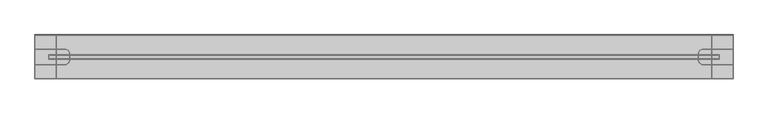
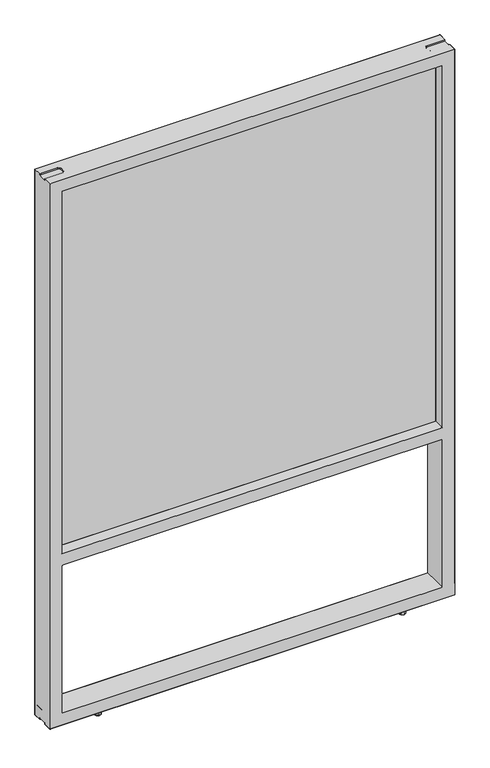
"""IFC4 building model written with IfcOpenShell, lengths in millimetres: furniture geometry."""

from ifc_helpers import new_model, si_unit, origin, place, context, project, spatial, triangles, source, transform, mapped, element, save


def furniture_d2c9bd60(model_context):
    return source(origin(), model_context, "Body", "Tessellation", [
        triangles([(32.6390461, -41.2115288, 1716.5700771), (32.6390461, -41.2114789, 545.4015203), (1195.8320223, -41.2114789, 545.4015203), (1195.8320223, -41.2115288, 1716.5700771), (1195.8320223, -34.9884757, 545.4015203), (32.6390461, -34.9884757, 545.4015203), (32.6390461, -34.9885279, 1716.5700771), (1195.8320223, -34.9885279, 1716.5700771)], [[1, 2, 3], [1, 3, 4], [5, 6, 7], [5, 7, 8]], closed=False),
        triangles([(1222.2485058, -76.1999319, 1705.9152042), (1222.2480698, 0.0, 1705.9147682), (1222.2480698, -24.8920012, 1738.4521717), (1222.2480698, -51.308001, 1738.4521717), (43.3070132, -3.8e-06, 556.0817914), (43.3070132, -34.4678066, 556.0817914), (1185.1645775, -34.4678294, 556.0818277), (1185.1639961, -3.8e-06, 556.0817914), (43.3070132, -34.4678044, 543.3818398), (1185.1639961, -34.4678044, 543.3818398), (43.3070132, -41.7322047, 543.3818398), (1185.1639961, -41.7322047, 543.3818398), (43.3070132, -41.7322047, 556.0817914), (1185.1639961, -41.7322047, 556.0817914), (43.3070132, -76.2000091, 556.0817914), (1185.1639961, -76.2000091, 556.0817914), (43.3070132, -76.2000091, 518.9978268), (1185.1639961, -76.2000091, 518.9978268), (43.3070132, 0.0, 518.9978268), (1185.1639961, 0.0, 518.9978268), (43.306559, -41.7321593, 523.8246034), (43.306559, -34.4677612, 523.8246034), (30.6065757, -34.4677612, 523.8246034), (30.6065757, -41.7321593, 523.8246034), (30.6066665, -34.4676568, 1705.9152042), (43.3075946, -34.4677294, 1705.9152042), (30.6066665, -41.7320594, 1705.9152042), (43.3066771, -41.7320594, 1705.9152042), (43.3065272, 0.0, 49.784443), (43.3066771, 0.000145, 1705.9152042), (43.3065272, -76.2000091, 49.784443), (43.3066771, -76.1998592, 1705.9152042), (1197.864529, -34.4678339, 523.8246034), (1185.1645775, -34.4678339, 523.8246034), (1197.864529, -41.732232, 523.8246034), (1185.1645775, -41.732232, 523.8246034), (30.6065144, -34.4678021, 1718.6151558), (1197.8644564, -34.4677294, 1718.6151558), (1197.8644564, -41.732132, 1718.6151558), (30.6065144, -41.7322002, 1718.6151558), (1197.8644564, -34.4677294, 1705.9152042), (1197.8644564, -41.732132, 1705.9152042), (1185.1635601, -34.4678021, 1705.9152042), (1185.1644321, -41.732132, 1705.9152042), (1185.1645775, -7.25e-05, 49.784443), (1185.1644321, 7.25e-05, 1705.9152042), (1185.1645775, -76.2000727, 49.784443), (6.2229997, -24.8920012, 12.6998494), (6.2229997, 0.0, 12.6998494), (1222.2480698, 0.0, 12.6998494), (1222.2480698, -24.8920012, 12.6998494), (1168.2730213, -24.8920012, 12.6998494), (1163.7828884, -26.7518736, 12.6998494), (64.6881482, -26.7518736, 12.6998494), (60.198038, -24.8920012, 12.6998494), (1161.9230455, -31.242002, 12.6998494), (66.5480137, -31.242002, 12.6998494), (1163.7828884, -49.4481309, 12.6998494), (64.6881482, -49.4481309, 12.6998494), (66.5480137, -44.9580025, 12.6998494), (1161.9230455, -44.9580025, 12.6998494), (1168.2730213, -51.308001, 12.6998494), (60.198038, -51.308001, 12.6998494), (6.2229997, -24.8920012, 1742.9988419), (1222.2480698, -24.8920012, 1742.9988419), (1222.2480698, 0.0, 1742.9988419), (6.2229997, 0.0, 1742.9988419), (64.6881482, -26.7518736, 1742.9988419), (1163.7828884, -26.7518736, 1742.9988419), (1168.2730213, -24.8920012, 1742.9988419), (60.198038, -24.8920012, 1742.9988419), (66.5480137, -31.242002, 1742.9988419), (1161.9230455, -31.242002, 1742.9988419), (66.5480137, -44.9580025, 1742.9988419), (1161.9230455, -44.9580025, 1742.9988419), (64.6881482, -49.4481309, 1742.9988419), (1163.7828884, -49.4481309, 1742.9988419), (60.198038, -51.308001, 1742.9988419), (1168.2730213, -51.308001, 1742.9988419), (6.2229997, -76.2000091, 1742.9988419), (1222.2480698, -76.2000091, 1742.9988419), (1222.2480698, -51.308001, 1742.9988419), (6.2229997, -51.308001, 1742.9988419), (64.6881482, -26.7518736, 1738.4521717), (64.6881482, -49.4481309, 1738.4521717), (66.5480137, -44.9580025, 1738.4521717), (66.5480137, -31.242002, 1738.4521717), (60.198038, -24.8920012, 1738.4521717), (60.198038, -51.308001, 1738.4521717), (6.2229997, -24.8920012, 1738.4521717), (6.2229997, -51.308001, 1738.4521717), (1163.7828884, -26.7518736, 1738.4521717), (1163.7828884, -49.4481309, 1738.4521717), (1161.9230455, -44.9580025, 1738.4521717), (1161.9230455, -31.242002, 1738.4521717), (1168.2730213, -24.8920012, 1738.4521717), (1168.2730213, -51.308001, 1738.4521717), (6.2225115, 0.0, 1705.9152042), (6.2225115, -76.2000091, 1705.9152042), (6.2226642, -76.2001453, 49.784443), (6.2226642, -0.000145, 49.784443), (1222.2480698, -76.2000091, 49.7838344), (1222.2486511, -7.25e-05, 49.784443), (1185.1644321, -76.1999319, 1705.9152042), (1222.2480698, -51.308001, 12.6998494), (1222.2480698, -51.308001, 17.2464809), (1168.2730213, -51.308001, 17.2464809), (1163.7828884, -49.4481309, 17.2464809), (1161.9230455, -44.9580025, 17.2464809), (1163.7828884, -26.7518736, 17.2464809), (1161.9230455, -31.242002, 17.2464809), (1168.2730213, -24.8920012, 17.2464809), (1222.2480698, -24.8920012, 17.2464809), (60.198038, -24.8920012, 17.2464809), (6.2229997, -24.8920012, 17.2464809), (64.6881482, -26.7518736, 17.2464809), (66.5480137, -31.242002, 17.2464809), (64.6881482, -49.4481309, 17.2464809), (66.5480137, -44.9580025, 17.2464809), (60.198038, -51.308001, 17.2464809), (6.2229997, -51.308001, 12.6998494), (6.2229997, -51.308001, 17.2464809), (1222.2480698, -76.2000091, 12.6998494), (6.2229997, -76.2000091, 12.6998494)], [[1, 2, 3], [1, 3, 4], [5, 6, 7], [5, 7, 8], [9, 10, 7], [9, 7, 6], [9, 11, 12], [9, 12, 10], [13, 14, 12], [13, 12, 11], [13, 15, 16], [13, 16, 14], [17, 18, 16], [17, 16, 15], [17, 19, 20], [17, 20, 18], [5, 8, 20], [5, 20, 19], [21, 22, 23], [21, 23, 24], [25, 23, 26], [23, 22, 26], [25, 27, 24], [25, 24, 23], [28, 21, 24], [28, 24, 27], [26, 22, 29], [26, 29, 30], [21, 31, 29], [21, 29, 22], [32, 31, 21], [32, 21, 28], [33, 34, 35], [34, 36, 35], [37, 38, 39], [37, 39, 40], [37, 25, 41], [37, 41, 38], [40, 27, 25], [40, 25, 37], [40, 39, 42], [40, 42, 27], [38, 41, 39], [41, 42, 39], [34, 33, 41], [34, 41, 43], [35, 42, 41], [35, 41, 33], [35, 36, 44], [35, 44, 42], [45, 34, 43], [45, 43, 46], [45, 47, 36], [45, 36, 34], [48, 49, 50], [48, 50, 51], [52, 53, 54], [52, 54, 55], [56, 57, 54], [56, 54, 53], [58, 59, 60], [58, 60, 61], [58, 62, 63], [58, 63, 59], [64, 65, 66], [64, 66, 67], [68, 69, 70], [68, 70, 71], [68, 72, 73], [68, 73, 69], [74, 75, 73], [74, 73, 72], [74, 76, 77], [74, 77, 75], [78, 79, 77], [78, 77, 76], [80, 81, 82], [80, 82, 83], [84, 85, 86], [84, 86, 87], [84, 88, 85], [88, 89, 85], [90, 91, 89], [90, 89, 88], [83, 78, 89], [83, 89, 91], [76, 85, 89], [76, 89, 78], [76, 74, 86], [76, 86, 85], [72, 87, 74], [87, 86, 74], [72, 68, 84], [72, 84, 87], [71, 88, 68], [88, 84, 68], [71, 64, 90], [71, 90, 88], [92, 93, 94], [92, 94, 95], [92, 96, 97], [92, 97, 93], [97, 4, 3], [97, 3, 96], [1, 4, 82], [1, 82, 81], [97, 79, 82], [97, 82, 4], [97, 93, 77], [97, 77, 79], [94, 75, 77], [94, 77, 93], [94, 95, 73], [94, 73, 75], [73, 69, 95], [69, 92, 95], [92, 96, 70], [92, 70, 69], [3, 65, 70], [3, 70, 96], [3, 2, 66], [3, 66, 65], [98, 67, 66], [98, 66, 2], [98, 90, 64], [98, 64, 67], [98, 99, 91], [98, 91, 90], [91, 99, 80], [91, 80, 83], [80, 99, 1], [80, 1, 81], [99, 100, 31], [99, 31, 32], [99, 98, 101], [99, 101, 100], [30, 29, 101], [30, 101, 98], [2, 1, 102], [2, 102, 103], [36, 47, 104], [36, 104, 44], [46, 2, 103], [46, 103, 45], [47, 102, 1], [47, 1, 104], [105, 62, 106], [62, 107, 106], [58, 108, 107], [58, 107, 62], [58, 61, 108], [61, 109, 108], [56, 53, 110], [56, 110, 111], [52, 112, 53], [112, 110, 53], [52, 51, 113], [52, 113, 112], [48, 55, 114], [48, 114, 115], [54, 116, 55], [116, 114, 55], [54, 57, 117], [54, 117, 116], [60, 59, 118], [60, 118, 119], [63, 120, 118], [63, 118, 59], [63, 121, 122], [63, 122, 120], [115, 114, 120], [115, 120, 122], [116, 118, 114], [118, 120, 114], [116, 117, 119], [116, 119, 118], [57, 60, 119], [57, 119, 117], [57, 56, 61], [57, 61, 60], [111, 109, 56], [109, 61, 56], [111, 110, 108], [111, 108, 109], [112, 107, 108], [112, 108, 110], [112, 113, 106], [112, 106, 107], [123, 124, 121], [123, 121, 105], [102, 100, 124], [102, 124, 123], [124, 100, 122], [124, 122, 121], [101, 115, 122], [101, 122, 100], [101, 49, 48], [101, 48, 115], [101, 103, 50], [101, 50, 49], [113, 51, 50], [113, 50, 103], [102, 123, 105], [102, 105, 106], [113, 103, 102], [113, 102, 106], [101, 100, 102], [101, 102, 103]], closed=False),
        triangles([(1077.3854004, -57.5500937, -0.0001014), (1079.8499302, -63.4999803, -0.0001014), (1065.485618, -57.5500937, -0.0001014), (1071.4354729, -55.0855684, -0.0001014), (1077.3854004, -69.4498715, -0.0001014), (1063.0210882, -63.4999803, -0.0001014), (1071.4354729, -71.9143922, -0.0001014), (1065.485618, -69.4498715, -0.0001014), (1078.4405685, -70.545971, 1.3910119), (1081.3449697, -63.5341307, 1.3910119), (1082.3574806, -63.4999985, 12.6998494), (1079.158548, -71.2230191, 12.6998494), (1071.4287146, -73.4503722, 1.3910119), (1071.4355455, -74.4219972, 12.6998494), (1064.4168606, -70.545971, 1.3910119), (1063.7124704, -71.2230191, 12.6998494), (1061.5124594, -63.5341307, 1.3910119), (1060.5135378, -63.4999985, 12.6998494), (1064.4168606, -56.5222903, 1.3910119), (1063.7124704, -55.7769824, 12.6998494), (1071.4287146, -53.6178936, 1.3910119), (1071.4355455, -52.5779998, 12.6998494), (1078.4405685, -56.5222903, 1.3910119), (1079.158548, -55.7769824, 12.6998494), (1077.3854004, -6.7500973, -0.0001014), (1079.8499302, -12.6999856, -0.0001014), (1065.485618, -6.7500973, -0.0001014), (1071.4354729, -4.2855731, -0.0001014), (1077.3854004, -18.6498723, -0.0001014), (1063.0210882, -12.6999856, -0.0001014), (1071.4354729, -21.1143975, -0.0001014), (1065.485618, -18.6498723, -0.0001014), (1078.4405685, -19.7459763, 1.3910119), (1081.3449697, -12.734136, 1.3910119), (1082.3574806, -12.7000038, 12.6998494), (1079.158548, -20.4230221, 12.6998494), (1071.4287146, -22.6503753, 1.3910119), (1071.4355455, -23.6220025, 12.6998494), (1064.4168606, -19.7459763, 1.3910119), (1063.7124704, -20.4230221, 12.6998494), (1061.5124594, -12.734136, 1.3910119), (1060.5135378, -12.7000038, 12.6998494), (1064.4168606, -5.7222956, 1.3910119), (1063.7124704, -4.9769838, 12.6998494), (1071.4287146, -2.8178958, 1.3910119), (1071.4355455, -1.7780045, 12.6998494), (1078.4405685, -5.7222956, 1.3910119), (1079.158548, -4.9769838, 12.6998494), (162.9854004, -57.5500982, -0.0001014), (165.4499302, -63.4999894, -0.0001014), (151.0856271, -57.5500982, -0.0001014), (157.0355092, -55.0855775, -0.0001014), (162.9854004, -69.449876, -0.0001014), (148.6211064, -63.4999894, -0.0001014), (157.0355092, -71.9144013, -0.0001014), (151.0856271, -69.449876, -0.0001014), (164.0405685, -70.5459801, 1.3910119), (166.9449697, -63.5341398, 1.3910119), (167.9575351, -63.5000076, 12.6998494), (164.758548, -71.2230236, 12.6998494), (157.0287327, -73.4503768, 1.3910119), (157.0355274, -74.4220062, 12.6998494), (150.0168878, -70.5459801, 1.3910119), (149.3125068, -71.2230236, 12.6998494), (147.1124957, -63.5341398, 1.3910119), (146.1135287, -63.5000076, 12.6998494), (150.0168878, -56.5222994, 1.3910119), (149.3125068, -55.776987, 12.6998494), (157.0287327, -53.6178982, 1.3910119), (157.0355274, -52.5780089, 12.6998494), (164.0405685, -56.5222994, 1.3910119), (164.758548, -55.776987, 12.6998494), (162.9854186, -6.750116, -0.0001014), (165.4499302, -12.7000038, -0.0001014), (151.0856362, -6.750116, -0.0001014), (157.0355274, -4.2855919, -0.0001014), (162.9854186, -18.6498916, -0.0001014), (148.6211064, -12.7000038, -0.0001014), (157.0355274, -21.1144157, -0.0001014), (151.0856362, -18.6498916, -0.0001014), (164.0405685, -19.7459945, 1.3910119), (166.9449697, -12.7341541, 1.3910119), (167.9575351, -12.700022, 12.6998494), (164.758548, -20.4230426, 12.6998494), (157.0287327, -22.6503957, 1.3910119), (157.0355274, -23.6220206, 12.6998494), (150.0168969, -19.7459945, 1.3910119), (149.3125159, -20.4230426, 12.6998494), (147.1124957, -12.7341541, 1.3910119), (146.1135378, -12.700022, 12.6998494), (150.0168969, -5.7223138, 1.3910119), (149.3125159, -4.9770025, 12.6998494), (157.0287327, -2.8179146, 1.3910119), (157.0355274, -1.7780231, 12.6998494), (164.0405685, -5.7223138, 1.3910119), (164.758548, -4.9770025, 12.6998494)], [[1, 2, 3], [1, 3, 4], [5, 6, 2], [6, 3, 2], [5, 7, 8], [5, 8, 6], [9, 10, 11], [9, 11, 12], [13, 9, 12], [13, 12, 14], [15, 13, 14], [15, 14, 16], [17, 15, 16], [17, 16, 18], [19, 17, 18], [19, 18, 20], [21, 19, 20], [21, 20, 22], [23, 21, 24], [21, 22, 24], [10, 23, 11], [23, 24, 11], [5, 2, 10], [5, 10, 9], [7, 5, 9], [7, 9, 13], [8, 7, 13], [8, 13, 15], [6, 8, 17], [8, 15, 17], [3, 6, 17], [3, 17, 19], [4, 3, 19], [4, 19, 21], [1, 4, 23], [4, 21, 23], [2, 1, 23], [2, 23, 10], [25, 26, 27], [25, 27, 28], [29, 30, 26], [30, 27, 26], [29, 31, 32], [29, 32, 30], [33, 34, 35], [33, 35, 36], [37, 33, 36], [37, 36, 38], [39, 37, 38], [39, 38, 40], [41, 39, 40], [41, 40, 42], [43, 41, 42], [43, 42, 44], [45, 43, 44], [45, 44, 46], [47, 45, 48], [45, 46, 48], [34, 47, 35], [47, 48, 35], [29, 26, 34], [29, 34, 33], [31, 29, 33], [31, 33, 37], [32, 31, 37], [32, 37, 39], [30, 32, 41], [32, 39, 41], [27, 30, 41], [27, 41, 43], [28, 27, 43], [28, 43, 45], [25, 28, 45], [25, 45, 47], [26, 25, 47], [26, 47, 34], [49, 50, 51], [49, 51, 52], [53, 54, 51], [53, 51, 50], [53, 55, 56], [53, 56, 54], [57, 58, 59], [57, 59, 60], [61, 57, 60], [61, 60, 62], [63, 61, 62], [63, 62, 64], [65, 63, 64], [65, 64, 66], [67, 65, 66], [67, 66, 68], [69, 67, 68], [69, 68, 70], [71, 69, 70], [71, 70, 72], [58, 71, 59], [71, 72, 59], [53, 50, 58], [53, 58, 57], [55, 53, 57], [55, 57, 61], [56, 55, 61], [56, 61, 63], [54, 56, 65], [56, 63, 65], [51, 54, 67], [54, 65, 67], [52, 51, 67], [52, 67, 69], [49, 52, 71], [52, 69, 71], [50, 49, 71], [50, 71, 58], [73, 74, 75], [73, 75, 76], [77, 78, 74], [78, 75, 74], [77, 79, 80], [77, 80, 78], [81, 82, 83], [81, 83, 84], [85, 81, 84], [85, 84, 86], [87, 85, 86], [87, 86, 88], [89, 87, 88], [89, 88, 90], [91, 89, 90], [91, 90, 92], [93, 91, 92], [93, 92, 94], [95, 93, 94], [95, 94, 96], [82, 95, 83], [95, 96, 83], [77, 74, 82], [77, 82, 81], [79, 77, 81], [79, 81, 85], [80, 79, 85], [80, 85, 87], [78, 80, 89], [80, 87, 89], [75, 78, 89], [75, 89, 91], [76, 75, 91], [76, 91, 93], [73, 76, 95], [76, 93, 95], [74, 73, 95], [74, 95, 82]], closed=False),
    ])


if __name__ == "__main__":
    model = new_model("IFC4")
    model_context = context("Model", 3, world=origin())
    ifc_project = project(units=[si_unit("LENGTHUNIT", "METRE", prefix="MILLI")], contexts=[model_context])
    site = spatial("IfcSite", under=ifc_project)
    building = spatial("IfcBuilding", under=site)
    placement = place(None, origin())
    furniture_shape = furniture_d2c9bd60(model_context)
    element("IfcFurniture", 1, at=placement, inside=building, context=model_context, shape_type="MappedRepresentation", body=[
        mapped(furniture_shape, transform((0.0, 0.0, 0.0), x_axis=(1.0, 0.0, 0.0), y_axis=(0.0, 1.0, 0.0), z_axis=(0.0, 0.0, 1.0))),
    ])
    save(model, "model.ifc")
